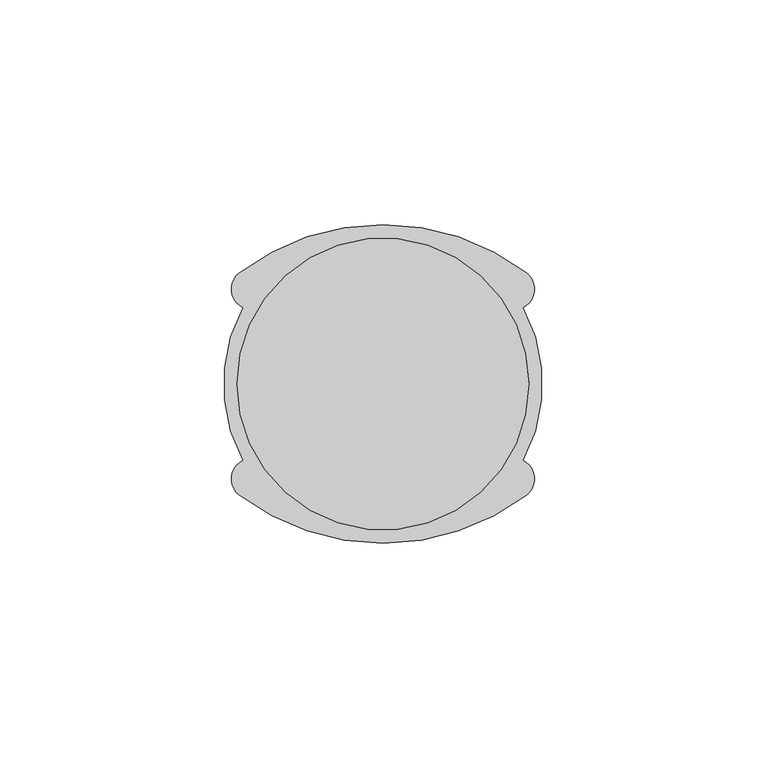
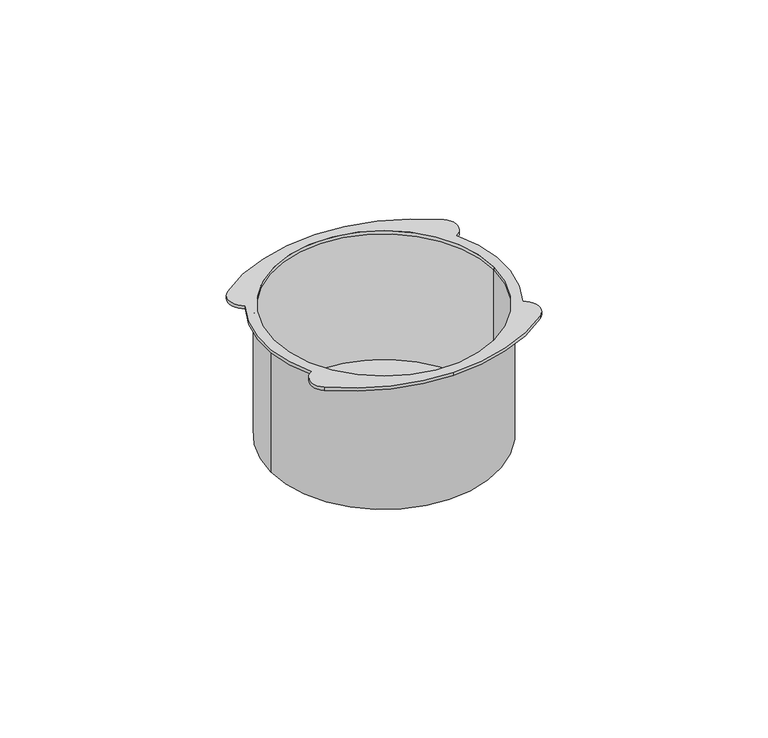
"""IFC4 building model written with IfcOpenShell, lengths in millimetres: proxy geometry."""

from ifc_helpers import new_model, si_unit, point, frame, origin, origin_with_axes, origin_2d, place, context, project, spatial, polyline, circle_curve, trimmed, segment, composite_curve, outline, extrude, source, transform, mapped, element, save
from ifc_brep_helpers import plane_surface, cylinder_surface, revolved_surface, advanced_brep


def electrical_fixtures_02170431(model_context):
    return source(origin(), model_context, "Body", "SolidModel", [
        advanced_brep(
        [(33.5, 0.0, -40.0), (-33.5, 0.0, -40.0), (32.5, 0.0, -40.0), (-32.5, 0.0, -40.0), (-32.5, 0.0, 0.0), (32.5, 0.0, 0.0), (-33.5, 0.0, 0.0), (33.5, 0.0, 0.0), (-31.1606782, -17.007708, 1.0), (-31.9859514, -24.7231662, 1.0), (0.0, -35.5, 1.0), (31.9859514, -24.7231662, 1.0), (31.1606782, -17.007708, 1.0), (31.1606782, 17.007708, 1.0), (31.9859514, 24.7231662, 1.0), (0.0, 35.5, 1.0), (-31.9859514, 24.7231662, 1.0), (-31.1606782, 17.007708, 1.0), (-32.5, 0.0, 1.0), (32.5, 0.0, 1.0), (-31.1606782, -17.007708, 0.0), (-31.1606782, 17.007708, 0.0), (-31.9859514, 24.7231662, 0.0), (0.0, 35.5, 0.0), (31.9859514, 24.7231662, 0.0), (31.1606782, 17.007708, 0.0), (31.1606782, -17.007708, 0.0), (31.9859514, -24.7231662, 0.0), (0.0, -35.5, 0.0), (-31.9859514, -24.7231662, 0.0)],
        [
            (0, 1, circle_curve(frame((0.0, 0.0, -40.0), z_axis=(0.0, 0.0, -1.0), x_axis=(1.0, 0.0, 0.0)), 33.5)),
            (1, 0, circle_curve(frame((0.0, 0.0, -40.0), z_axis=(0.0, 0.0, -1.0), x_axis=(1.0, 0.0, 0.0)), 33.5)),
            (2, 3, circle_curve(frame((0.0, 0.0, -40.0), z_axis=(0.0, 0.0, 1.0), x_axis=(1.0, 0.0, 0.0)), 32.5)),
            (3, 2, circle_curve(frame((0.0, 0.0, -40.0), z_axis=(0.0, 0.0, 1.0), x_axis=(1.0, 0.0, 0.0)), 32.5)),
            (3, 4),
            (4, 5, circle_curve(origin_with_axes(), 32.5)),
            (5, 2),
            (5, 4, circle_curve(origin_with_axes(), 32.5)),
            (1, 6),
            (6, 7, circle_curve(frame((0.0, 0.0, 0.0), z_axis=(0.0, 0.0, -1.0), x_axis=(1.0, 0.0, 0.0)), 33.5)),
            (7, 0),
            (7, 6, circle_curve(frame((0.0, 0.0, 0.0), z_axis=(0.0, 0.0, -1.0), x_axis=(1.0, 0.0, 0.0)), 33.5)),
            (8, 9, circle_curve(frame((-29.2430182, -21.114694, 1.0), z_axis=(0.0, 0.0, 1.0), x_axis=(1.0, 0.0, 0.0)), 4.5326321)),
            (9, 10, circle_curve(frame((0.0, 17.356027, 1.0), z_axis=(0.0, 0.0, 1.0), x_axis=(1.0, 0.0, 0.0)), 52.856027)),
            (10, 11, circle_curve(frame((0.0, 17.356027, 1.0), z_axis=(0.0, 0.0, 1.0), x_axis=(-1.0, 0.0, 0.0)), 52.856027)),
            (11, 12, circle_curve(frame((29.2430182, -21.114694, 1.0), z_axis=(0.0, 0.0, 1.0), x_axis=(-1.0, 0.0, 0.0)), 4.5326321)),
            (12, 13, circle_curve(frame((0.0, 0.0, 1.0), z_axis=(0.0, 0.0, 1.0), x_axis=(1.0, 0.0, 0.0)), 35.5)),
            (13, 14, circle_curve(frame((29.2430182, 21.114694, 1.0), z_axis=(0.0, 0.0, 1.0), x_axis=(-1.0, 0.0, 0.0)), 4.5326321)),
            (14, 15, circle_curve(frame((0.0, -17.356027, 1.0), z_axis=(0.0, 0.0, 1.0), x_axis=(-1.0, 0.0, 0.0)), 52.856027)),
            (15, 16, circle_curve(frame((0.0, -17.356027, 1.0), z_axis=(0.0, 0.0, 1.0), x_axis=(1.0, 0.0, 0.0)), 52.856027)),
            (16, 17, circle_curve(frame((-29.2430182, 21.114694, 1.0), z_axis=(0.0, 0.0, 1.0), x_axis=(1.0, 0.0, 0.0)), 4.5326321)),
            (17, 8, circle_curve(frame((0.0, 0.0, 1.0), z_axis=(0.0, 0.0, 1.0), x_axis=(1.0, 0.0, 0.0)), 35.5)),
            (18, 19, circle_curve(frame((0.0, 0.0, 1.0), z_axis=(0.0, 0.0, -1.0), x_axis=(1.0, 0.0, 0.0)), 32.5)),
            (19, 18, circle_curve(frame((0.0, 0.0, 1.0), z_axis=(0.0, 0.0, -1.0), x_axis=(1.0, 0.0, 0.0)), 32.5)),
            (20, 21, circle_curve(frame((0.0, 0.0, 0.0), z_axis=(0.0, 0.0, -1.0), x_axis=(1.0, 0.0, 0.0)), 35.5)),
            (21, 22, circle_curve(frame((-29.2430182, 21.114694, 0.0), z_axis=(0.0, 0.0, -1.0), x_axis=(1.0, 0.0, 0.0)), 4.5326321)),
            (22, 23, circle_curve(frame((0.0, -17.356027, 0.0), z_axis=(0.0, 0.0, -1.0), x_axis=(1.0, 0.0, 0.0)), 52.856027)),
            (23, 24, circle_curve(frame((0.0, -17.356027, 0.0), z_axis=(0.0, 0.0, -1.0), x_axis=(-1.0, 0.0, 0.0)), 52.856027)),
            (24, 25, circle_curve(frame((29.2430182, 21.114694, 0.0), z_axis=(0.0, 0.0, -1.0), x_axis=(-1.0, 0.0, 0.0)), 4.5326321)),
            (25, 26, circle_curve(frame((0.0, 0.0, 0.0), z_axis=(0.0, 0.0, -1.0), x_axis=(1.0, 0.0, 0.0)), 35.5)),
            (26, 27, circle_curve(frame((29.2430182, -21.114694, 0.0), z_axis=(0.0, 0.0, -1.0), x_axis=(-1.0, 0.0, 0.0)), 4.5326321)),
            (27, 28, circle_curve(frame((0.0, 17.356027, 0.0), z_axis=(0.0, 0.0, -1.0), x_axis=(-1.0, 0.0, 0.0)), 52.856027)),
            (28, 29, circle_curve(frame((0.0, 17.356027, 0.0), z_axis=(0.0, 0.0, -1.0), x_axis=(1.0, 0.0, 0.0)), 52.856027)),
            (29, 20, circle_curve(frame((-29.2430182, -21.114694, 0.0), z_axis=(0.0, 0.0, -1.0), x_axis=(1.0, 0.0, 0.0)), 4.5326321)),
            (12, 26),
            (25, 13),
            (17, 21),
            (20, 8),
            (18, 4),
            (5, 19),
            (29, 9),
            (28, 10),
            (27, 11),
            (24, 14),
            (23, 15),
            (22, 16),
        ],
        [
            plane_surface(frame((32.5, 0.0, -40.0), z_axis=(0.0, 0.0, -1.0), x_axis=(0.0, 1.0, 0.0))),
            revolved_surface(polyline([(32.5, 0.0, -40.0), (32.5, 0.0, 0.0)]), (0.0, 0.0, -40.0), (0.0, 0.0, -1.0)),
            cylinder_surface(origin_with_axes(), 33.5),
            plane_surface(frame((32.5, 0.0, 1.0), z_axis=(0.0, 0.0, 1.0), x_axis=(0.0, -1.0, 0.0))),
            plane_surface(frame((32.5, 0.0, 0.0), z_axis=(0.0, 0.0, -1.0), x_axis=(0.0, 1.0, 0.0))),
            cylinder_surface(origin_with_axes(), 35.5),
            revolved_surface(polyline([(32.5, 0.0, 0.0), (32.5, 0.0, 1.0)]), (0.0, 0.0, 0.0), (0.0, 0.0, -1.0)),
            cylinder_surface(frame((-29.2430182, -21.114694, 0.0), z_axis=(0.0, 0.0, 1.0), x_axis=(1.0, 0.0, 0.0)), 4.5326321),
            cylinder_surface(frame((0.0, 17.356027, 0.0), z_axis=(0.0, 0.0, 1.0), x_axis=(1.0, 0.0, 0.0)), 52.856027),
            cylinder_surface(frame((0.0, 17.356027, 0.0), z_axis=(0.0, 0.0, 1.0), x_axis=(-1.0, 0.0, 0.0)), 52.856027),
            cylinder_surface(frame((29.2430182, -21.114694, 0.0), z_axis=(0.0, 0.0, 1.0), x_axis=(-1.0, 0.0, 0.0)), 4.5326321),
            cylinder_surface(frame((29.2430182, 21.114694, 0.0), z_axis=(0.0, 0.0, 1.0), x_axis=(-1.0, 0.0, 0.0)), 4.5326321),
            cylinder_surface(frame((0.0, -17.356027, 0.0), z_axis=(0.0, 0.0, 1.0), x_axis=(-1.0, 0.0, 0.0)), 52.856027),
            cylinder_surface(frame((0.0, -17.356027, 0.0), z_axis=(0.0, 0.0, 1.0), x_axis=(1.0, 0.0, 0.0)), 52.856027),
            cylinder_surface(frame((-29.2430182, 21.114694, 0.0), z_axis=(0.0, 0.0, 1.0), x_axis=(1.0, 0.0, 0.0)), 4.5326321),
        ],
        [
            (0, [[1, 2], [3, 4]]),
            (1, [[-4, 5, 6, 7]]),
            (1, [[-3, -7, 8, -5]]),
            (2, [[-2, 9, 10, 11]]),
            (2, [[-1, -11, 12, -9]]),
            (3, [[13, 14, 15, 16, 17, 18, 19, 20, 21, 22], [23, 24]]),
            (4, [[25, 26, 27, 28, 29, 30, 31, 32, 33, 34], [-10, -12]]),
            (5, [[-17, 35, -30, 36]]),
            (5, [[-22, 37, -25, 38]]),
            (6, [[-23, 39, -8, 40]]),
            (6, [[-24, -40, -6, -39]]),
            (7, [[-13, -38, -34, 41]]),
            (8, [[-14, -41, -33, 42]]),
            (9, [[-15, -42, -32, 43]]),
            (10, [[-16, -43, -31, -35]]),
            (11, [[-18, -36, -29, 44]]),
            (12, [[-19, -44, -28, 45]]),
            (13, [[-20, -45, -27, 46]]),
            (14, [[-21, -46, -26, -37]]),
        ],
    ),
        extrude(outline(composite_curve([segment(trimmed(circle_curve(origin_2d(), 32.5), [point((32.5, 0.0))], [point((-32.5, 0.0))], False, "CARTESIAN"), True, "CONTINUOUS"), segment(trimmed(circle_curve(origin_2d(), 32.5), [point((-32.5, 0.0))], [point((32.5, 0.0))], False, "CARTESIAN"), True, "CONTINUOUS")], self_intersect=False)), frame((0.0, 0.0, -40.0), z_axis=(0.0, 0.0, 1.0), x_axis=(1.0, 0.0, 0.0)), (0.0, 0.0, 1.0), 1.0),
    ])


if __name__ == "__main__":
    model = new_model("IFC4")
    model_context = context("Model", 3, world=origin())
    ifc_project = project(units=[si_unit("LENGTHUNIT", "METRE", prefix="MILLI")], contexts=[model_context])
    site = spatial("IfcSite", under=ifc_project)
    building = spatial("IfcBuilding", under=site)
    placement = place(None, origin())
    electrical_fixtures_shape = electrical_fixtures_02170431(model_context)
    element("IfcBuildingElementProxy", 1, Name="Electrical Fixtures", at=placement, inside=building, context=model_context, shape_type="MappedRepresentation", body=[
        mapped(electrical_fixtures_shape, transform((0.0, 0.0, 0.0), x_axis=(1.0, 0.0, 0.0), y_axis=(0.0, 1.0, 0.0), z_axis=(0.0, 0.0, 1.0))),
    ])
    save(model, "model.ifc")
